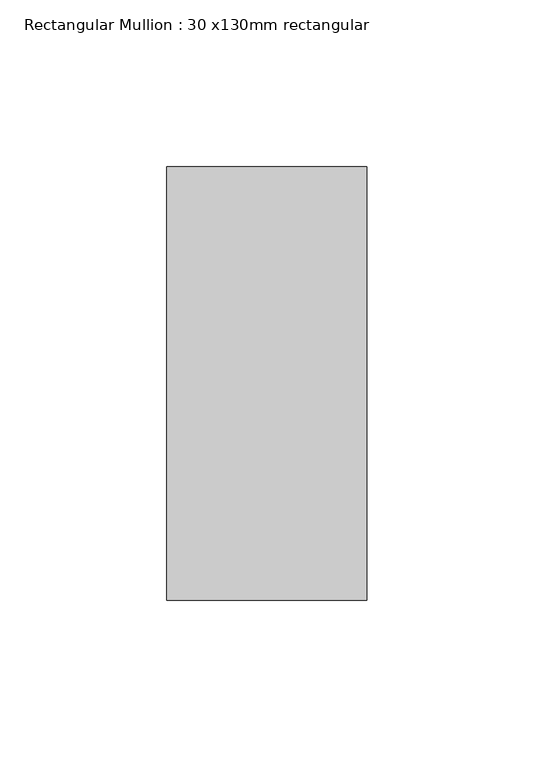
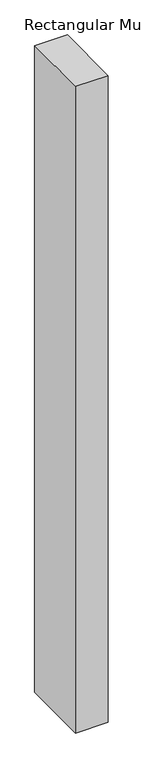
"""IFC4 building model written with IfcOpenShell, lengths in millimetres: member geometry, Rectangular Mullion : 30 x130mm rectangular."""

from ifc_helpers import new_model, si_unit, frame, origin, place, context, project, spatial, polyline, outline, extrude, source, transform, mapped, element, save


def rectangular_mullion_30_x130mm_rectangular_83921a26(model_context):
    return source(origin(), model_context, "Body", "SweptSolid", [
        extrude(outline(polyline([(30.0, 65.0), (30.0, -65.0), (-30.0, -65.0), (-30.0, 65.0), (30.0, 65.0)])), frame((0.0, 0.0, -1255.7142857), z_axis=(0.0, 0.0, 1.0), x_axis=(1.0, 0.0, 0.0)), (0.0, 0.0, 1.0), 1255.7142857),
    ])


if __name__ == "__main__":
    model = new_model("IFC4")
    model_context = context("Model", 3, world=origin())
    ifc_project = project(units=[si_unit("LENGTHUNIT", "METRE", prefix="MILLI")], contexts=[model_context])
    site = spatial("IfcSite", under=ifc_project)
    building = spatial("IfcBuilding", under=site)
    placement = place(None, origin())
    rectangular_mullion_30_x130mm_rectangular_shape = rectangular_mullion_30_x130mm_rectangular_83921a26(model_context)
    element("IfcMember", 1, ObjectType="Rectangular Mullion : 30 x130mm rectangular", at=placement, inside=building, context=model_context, shape_type="MappedRepresentation", body=[
        mapped(rectangular_mullion_30_x130mm_rectangular_shape, transform((0.0, 0.0, 0.0), x_axis=(1.0, 0.0, 0.0), y_axis=(0.0, 1.0, 0.0), z_axis=(0.0, 0.0, 1.0))),
    ])
    save(model, "model.ifc")
